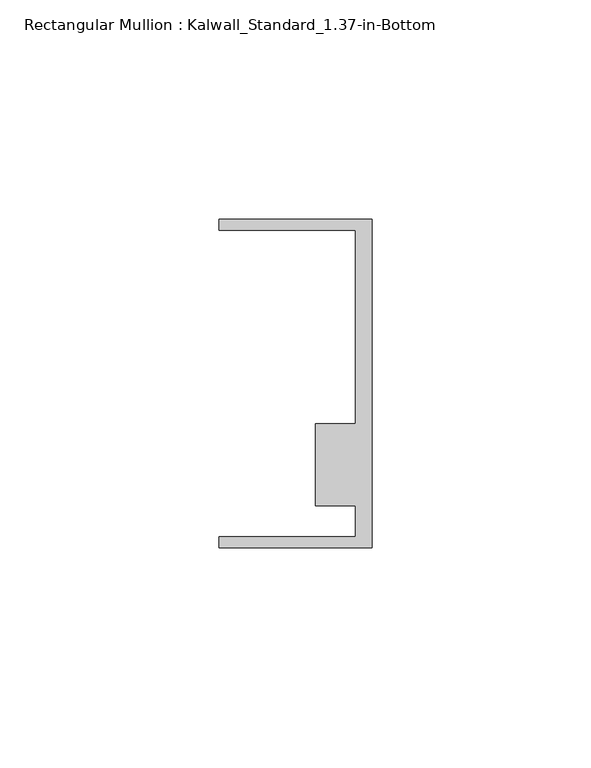
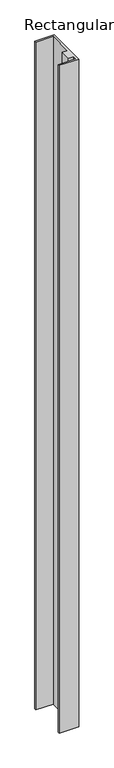
"""IFC4 building model written with IfcOpenShell, lengths in millimetres: member geometry, Rectangular Mullion : Kalwall_Standard_1.37-in-Bottom."""

from ifc_helpers import new_model, si_unit, frame, origin, place, context, project, spatial, polyline, outline, extrude, source, transform, mapped, element, save


def rectangular_mullion_kalwall_standard_1_37_in_bottom_e3a739e7(model_context):
    return source(origin(), model_context, "Body", "SweptSolid", [
        extrude(outline(polyline([(0.0, -37.5776386), (-34.925, -37.5776386), (-34.925, -35.0376386), (-3.7084, -35.0376386), (-3.7084, -27.8888568), (-12.8272539, -27.8888568), (-12.8272539, -9.1879886), (-3.7084, -9.1879886), (-3.7084, 34.9623614), (-34.925, 34.9623614), (-34.925, 37.5023614), (0.0, 37.5023614), (0.0, -37.5776386)])), frame((0.0, 0.0, -1260.702), z_axis=(0.0, 0.0, 1.0), x_axis=(1.0, 0.0, 0.0)), (0.0, 0.0, 1.0), 1260.702),
    ])


if __name__ == "__main__":
    model = new_model("IFC4")
    model_context = context("Model", 3, world=origin())
    ifc_project = project(units=[si_unit("LENGTHUNIT", "METRE", prefix="MILLI")], contexts=[model_context])
    site = spatial("IfcSite", under=ifc_project)
    building = spatial("IfcBuilding", under=site)
    placement = place(None, origin())
    rectangular_mullion_kalwall_standard_1_37_in_bottom_shape = rectangular_mullion_kalwall_standard_1_37_in_bottom_e3a739e7(model_context)
    element("IfcMember", 1, ObjectType="Rectangular Mullion : Kalwall_Standard_1.37-in-Bottom", at=placement, inside=building, context=model_context, shape_type="MappedRepresentation", body=[
        mapped(rectangular_mullion_kalwall_standard_1_37_in_bottom_shape, transform((0.0, 0.0, 0.0), x_axis=(1.0, 0.0, 0.0), y_axis=(0.0, 1.0, 0.0), z_axis=(0.0, 0.0, 1.0))),
    ])
    save(model, "model.ifc")
